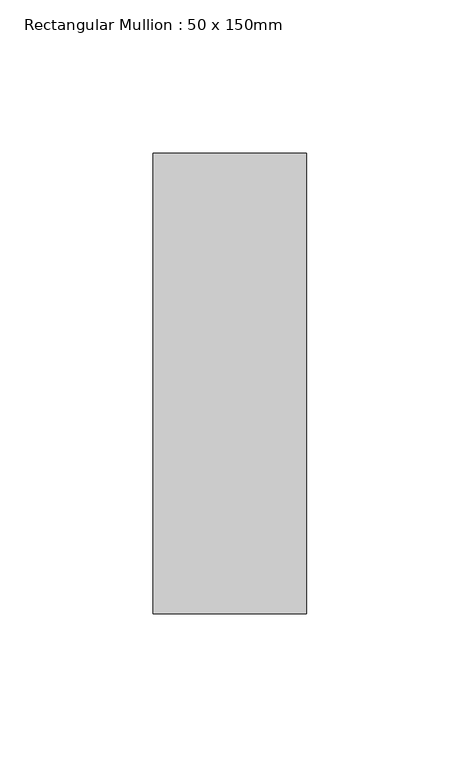
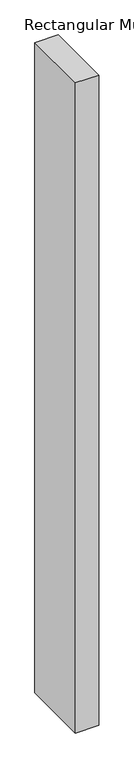
"""IFC4 building model written with IfcOpenShell, lengths in millimetres: member geometry, Rectangular Mullion : 50 x 150mm."""

import ifcopenshell
import ifcopenshell.guid

model = None  # the IFC model being written
_history = None  # IfcOwnerHistory: only IFC2X3 demands one
_inside = {}  # id of a spatial element -> (the spatial element, [elements in it])
_under = {}  # id of a project, library or spatial element -> (it, [spatial elements below it])
_declared = {}  # id of a project -> (the project, [libraries it declares])
_typed = {}  # id of a type object -> (the type object, [elements of that type])
_made_of = {}  # id of a material, layer set ... -> (it, [elements and type objects made of it])


def new_model(schema):
    """Start an empty IFC model of exactly this schema.

    Asked for "IFC4X3", IfcOpenShell would pick the latest addendum, in which some entities
    have other attributes; the version numbers below select the first issue.
    IFC2X3 requires an IfcOwnerHistory on every rooted entity: one is made here for all.
    """
    global model, _history
    if schema == "IFC4X3":
        model = ifcopenshell.file(schema_version=(4, 3, 0, 0))
    else:
        model = ifcopenshell.file(schema=schema)
    _inside.clear()
    _under.clear()
    _declared.clear()
    _typed.clear()
    _made_of.clear()
    _history = None
    if model.schema == "IFC2X3":
        org = make("IfcOrganization", Name="unknown")
        user = make(
            "IfcPersonAndOrganization",
            ThePerson=make("IfcPerson", FamilyName="unknown"),
            TheOrganization=org,
        )
        app = make(
            "IfcApplication",
            ApplicationDeveloper=org,
            Version="unknown",
            ApplicationFullName="unknown",
            ApplicationIdentifier="unknown",
        )
        _history = make(
            "IfcOwnerHistory",
            OwningUser=user,
            OwningApplication=app,
            ChangeAction="ADDED",
            CreationDate=0,
        )
    return model


def make(cls, **values):
    """One entity of the class cls with the attributes given. An attribute that is None is left unset."""
    return model.create_entity(
        cls, **{name: value for name, value in values.items() if value is not None}
    )


def rooted(cls, **values):
    """An entity with a GlobalId (a new one), such as an element, a storey or a relation."""
    return make(cls, GlobalId=ifcopenshell.guid.new(), OwnerHistory=_history, **values)


def si_unit(unit_type, name, prefix=None):
    """IfcSIUnit, for example si_unit("LENGTHUNIT", "METRE", prefix="MILLI")."""
    return make("IfcSIUnit", UnitType=unit_type, Prefix=prefix, Name=name)


def assignment(units):
    """IfcUnitAssignment: the units of a project."""
    return None if units is None else make("IfcUnitAssignment", Units=units)


def point(xyz):
    """IfcCartesianPoint."""
    return None if xyz is None else make("IfcCartesianPoint", Coordinates=xyz)


def direction(xyz):
    """IfcDirection."""
    return None if xyz is None else make("IfcDirection", DirectionRatios=xyz)


def frame(location, z_axis=None, x_axis=None):
    """IfcAxis2Placement3D, a coordinate frame: its origin and axes. An axis left out is left unset."""
    return make(
        "IfcAxis2Placement3D",
        Location=point(location),
        Axis=direction(z_axis),
        RefDirection=direction(x_axis),
    )


def origin():
    """The frame at (0, 0, 0) with its axes left unset."""
    return frame((0.0, 0.0, 0.0))


def place(relative_to, where):
    """IfcLocalPlacement: puts the frame where relative to a parent placement (None: the world)."""
    return make(
        "IfcLocalPlacement", PlacementRelTo=relative_to, RelativePlacement=where
    )


def context(
    kind, dimensions, precision=None, world=None, true_north=None, identifier=None
):
    """IfcGeometricRepresentationContext, for example the 3D "Model" context."""
    return make(
        "IfcGeometricRepresentationContext",
        ContextIdentifier=identifier,
        ContextType=kind,
        CoordinateSpaceDimension=dimensions,
        Precision=precision,
        WorldCoordinateSystem=world,
        TrueNorth=true_north,
    )


def project(units=None, contexts=None):
    """IfcProject with its units and contexts."""
    return rooted(
        "IfcProject",
        Name="project",
        RepresentationContexts=contexts,
        UnitsInContext=assignment(units),
    )


def spatial(cls, under=None, at=None, **own):
    """A site, building, storey or space (cls), placed at a placement, below another one or the project."""
    s = rooted(cls, ObjectPlacement=at, **own)
    if under is not None:
        _under.setdefault(under.id(), (under, []))[1].append(s)
    return s


def polyline(points):
    """IfcPolyline through the points."""
    return make("IfcPolyline", Points=[point(p) for p in points])


def outline(outer, holes=None, kind="AREA"):
    """IfcArbitraryClosedProfileDef: a profile drawn as a closed curve; with holes, ...WithVoids."""
    if holes is None:
        return make("IfcArbitraryClosedProfileDef", ProfileType=kind, OuterCurve=outer)
    return make(
        "IfcArbitraryProfileDefWithVoids",
        ProfileType=kind,
        OuterCurve=outer,
        InnerCurves=holes,
    )


def extrude(swept, where, along, depth):
    """IfcExtrudedAreaSolid: the profile swept, set in the frame where, extruded along a direction by depth."""
    return make(
        "IfcExtrudedAreaSolid",
        SweptArea=swept,
        Position=where,
        ExtrudedDirection=direction(along),
        Depth=depth,
    )


def shape(context_of_items, identifier, shape_type, items):
    """IfcShapeRepresentation: the items that make up one representation, for example the "Body"."""
    return make(
        "IfcShapeRepresentation",
        ContextOfItems=context_of_items,
        RepresentationIdentifier=identifier,
        RepresentationType=shape_type,
        Items=items,
    )


def source(mapping_origin, context_of_items, identifier, shape_type, items):
    """IfcRepresentationMap: a shape defined once, which mapped items show again and again."""
    return make(
        "IfcRepresentationMap",
        MappingOrigin=mapping_origin,
        MappedRepresentation=shape(context_of_items, identifier, shape_type, items),
    )


def transform(
    local_origin,
    x_axis=None,
    y_axis=None,
    z_axis=None,
    scale=None,
    scale2=None,
    scale3=None,
    uniform=True,
):
    """IfcCartesianTransformationOperator3D, or its non-uniform kind. x_axis, y_axis, z_axis: its Axis1, 2, 3."""
    if uniform:
        return make(
            "IfcCartesianTransformationOperator3D",
            Axis1=direction(x_axis),
            Axis2=direction(y_axis),
            LocalOrigin=point(local_origin),
            Scale=scale,
            Axis3=direction(z_axis),
        )
    return make(
        "IfcCartesianTransformationOperator3DnonUniform",
        Axis1=direction(x_axis),
        Axis2=direction(y_axis),
        LocalOrigin=point(local_origin),
        Scale=scale,
        Axis3=direction(z_axis),
        Scale2=scale2,
        Scale3=scale3,
    )


def mapped(mapping_source, mapping_target):
    """IfcMappedItem: shows the shape of a source again, moved by a transform."""
    return make(
        "IfcMappedItem", MappingSource=mapping_source, MappingTarget=mapping_target
    )


def made_of(thing, what):
    """Note that an element or type object is made of a material, layer set ...; save() writes the relation."""
    if what is not None:
        _made_of.setdefault(what.id(), (what, []))[1].append(thing)
    return thing


def element(
    cls,
    number,
    at=None,
    inside=None,
    cuts=None,
    type_object=None,
    material=None,
    context=None,
    identifier="Body",
    shape_type=None,
    held_by="IfcProductDefinitionShape",
    body=None,
    shapes=None,
    **own,
):
    """One element of the class cls, such as IfcWall. Its Tag is "e" and its number.

    at: its placement. inside: the storey or other place that contains it. cuts: it is an
    opening in that element (IfcRelVoidsElement). A single representation is given by context,
    identifier, shape_type and body (its items); several are given by shapes. held_by: the class
    of the entity that holds the representations. save() writes the other relations.
    """
    e = rooted(cls, Tag="e%d" % number, ObjectPlacement=at, **own)
    if body is not None:
        shapes = [shape(context, identifier, shape_type, body)]
    if shapes is not None:
        e.Representation = make(held_by, Representations=shapes)
    if inside is not None:
        _inside.setdefault(inside.id(), (inside, []))[1].append(e)
    if cuts is not None:
        rooted(
            "IfcRelVoidsElement", RelatingBuildingElement=cuts, RelatedOpeningElement=e
        )
    if type_object is not None:
        _typed.setdefault(type_object.id(), (type_object, []))[1].append(e)
    return made_of(e, material)


def aggregate(whole, parts):
    """IfcRelAggregates: a whole, such as a stair, and the parts it consists of."""
    return rooted("IfcRelAggregates", RelatingObject=whole, RelatedObjects=parts)


def save(model, path):
    """Write the relations noted so far, then the file.

    IfcRelAggregates (storeys below a building ...), IfcRelContainedInSpatialStructure (elements
    in a storey), IfcRelDefinesByType, IfcRelAssociatesMaterial and IfcRelDeclares: one each for
    every whole, place, type object, material and project.
    """
    for whole, parts in _under.values():
        aggregate(whole, parts)
    for where, things in _inside.values():
        rooted(
            "IfcRelContainedInSpatialStructure",
            RelatedElements=things,
            RelatingStructure=where,
        )
    for kind, things in _typed.values():
        rooted("IfcRelDefinesByType", RelatedObjects=things, RelatingType=kind)
    for what, things in _made_of.values():
        rooted("IfcRelAssociatesMaterial", RelatedObjects=things, RelatingMaterial=what)
    for by, libraries in _declared.values():
        rooted("IfcRelDeclares", RelatingContext=by, RelatedDefinitions=libraries)
    model.write(path)


def rectangular_mullion_50_x_150mm_67ea0eb6(model_context):
    return source(origin(), model_context, "Body", "SweptSolid", [
        extrude(outline(polyline([(0.0, 75.0), (0.0, -75.0), (-50.0, -75.0), (-50.0, 75.0), (0.0, 75.0)])), frame((0.0, 0.0, -1470.0), z_axis=(0.0, 0.0, 1.0), x_axis=(1.0, 0.0, 0.0)), (0.0, 0.0, 1.0), 1470.0),
    ])


if __name__ == "__main__":
    model = new_model("IFC4")
    model_context = context("Model", 3, world=origin())
    ifc_project = project(units=[si_unit("LENGTHUNIT", "METRE", prefix="MILLI")], contexts=[model_context])
    site = spatial("IfcSite", under=ifc_project)
    building = spatial("IfcBuilding", under=site)
    placement = place(None, origin())
    rectangular_mullion_50_x_150mm_shape = rectangular_mullion_50_x_150mm_67ea0eb6(model_context)
    element("IfcMember", 1, ObjectType="Rectangular Mullion : 50 x 150mm", at=placement, inside=building, context=model_context, shape_type="MappedRepresentation", body=[
        mapped(rectangular_mullion_50_x_150mm_shape, transform((0.0, 0.0, 0.0), x_axis=(1.0, 0.0, 0.0), y_axis=(0.0, 1.0, 0.0), z_axis=(0.0, 0.0, 1.0))),
    ])
    save(model, "model.ifc")
